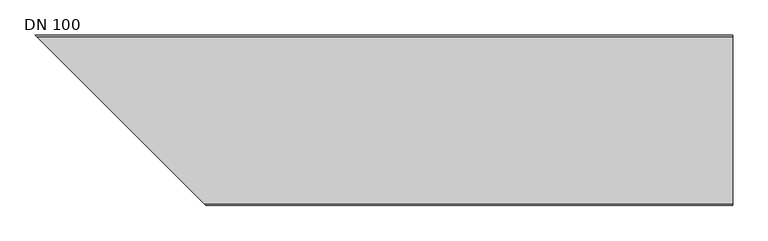
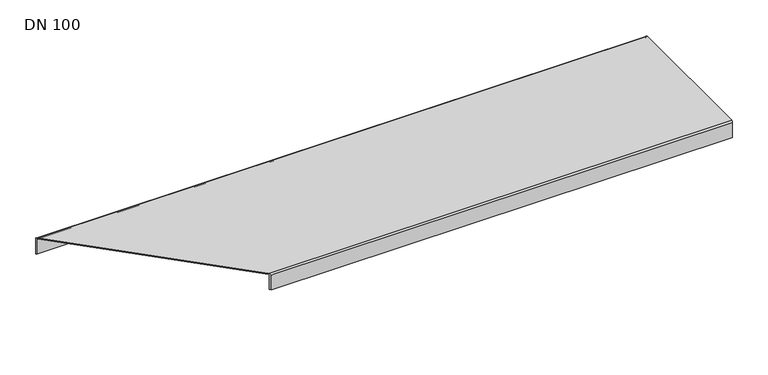
"""IFC4 building model written with IfcOpenShell, lengths in millimetres: sanitary terminal geometry, DN 100."""

from ifc_helpers import new_model, si_unit, frame, origin, place, context, project, spatial, polyline, circle_curve, ellipse_curve, source, transform, mapped, element, save
from ifc_brep_helpers import plane_surface, cylinder_surface, revolved_surface, advanced_brep


def dn_100_c647e501(model_context):
    return source(origin(), model_context, "Body", "AdvancedBrep", [
        advanced_brep(
        [(1000.0, 121.5, -28.0), (1000.0, 119.5, -28.0), (9.0, 119.5, -28.0), (7.0, 121.5, -28.0), (1000.0, 121.5, -2.5), (1000.0, 119.0, 0.0), (1000.0, -119.0, 0.0), (1000.0, -121.5, -2.5), (1000.0, -121.5, -28.0), (1000.0, -119.5, -28.0), (1000.0, -119.5, -2.5), (1000.0, -119.0, -2.0), (1000.0, 119.0, -2.0), (1000.0, 119.5, -2.5), (9.0, 119.5, -2.5), (7.0, 121.5, -2.5), (9.5, 119.0, -2.0), (9.5, 119.0, 0.0), (247.5, -119.0, -2.0), (247.5, -119.0, 0.0), (248.0, -119.5, -2.5), (250.0, -121.5, -2.5), (250.0, -121.5, -28.0), (248.0, -119.5, -28.0)],
        [
            (0, 1),
            (1, 2),
            (2, 3),
            (3, 0),
            (0, 4),
            (4, 5, circle_curve(frame((1000.0, 119.0, -2.5), z_axis=(1.0, 0.0, 0.0), x_axis=(0.0, 1.0, 0.0)), 2.5)),
            (5, 6),
            (6, 7, circle_curve(frame((1000.0, -119.0, -2.5), z_axis=(1.0, 0.0, 0.0), x_axis=(0.0, 0.0, 1.0)), 2.5)),
            (7, 8),
            (8, 9),
            (9, 10),
            (10, 11, circle_curve(frame((1000.0, -119.0, -2.5), z_axis=(-1.0, 0.0, 0.0), x_axis=(0.0, 0.0, 1.0)), 0.5)),
            (11, 12),
            (12, 13, circle_curve(frame((1000.0, 119.0, -2.5), z_axis=(-1.0, 0.0, 0.0), x_axis=(0.0, 1.0, 0.0)), 0.5)),
            (13, 1),
            (13, 14),
            (14, 2),
            (3, 15),
            (15, 4),
            (12, 16),
            (16, 14, ellipse_curve(frame((9.5, 119.0, -2.5), z_axis=(-0.7071067811865481, -0.707106781186547, 0.0), x_axis=(0.7071067811865468, -0.7071067811865481, 0.0)), 0.7071068, 0.5)),
            (15, 17, ellipse_curve(frame((9.5, 119.0, -2.5), z_axis=(0.7071067811865481, 0.707106781186547, 0.0), x_axis=(0.7071067811865468, -0.7071067811865481, 0.0)), 3.5355339, 2.5)),
            (17, 5),
            (11, 18),
            (18, 16),
            (17, 19),
            (19, 6),
            (10, 20),
            (20, 18, ellipse_curve(frame((247.5, -119.0, -2.5), z_axis=(-0.7071067811865481, -0.707106781186547, 0.0), x_axis=(0.7071067811865468, -0.7071067811865481, 0.0)), 0.7071068, 0.5)),
            (19, 21, ellipse_curve(frame((247.5, -119.0, -2.5), z_axis=(0.7071067811865481, 0.707106781186547, 0.0), x_axis=(0.7071067811865468, -0.7071067811865481, 0.0)), 3.5355339, 2.5)),
            (21, 7),
            (8, 22),
            (22, 23),
            (23, 9),
            (23, 20),
            (21, 22),
        ],
        [
            plane_surface(frame((0.0, 121.5, -28.0), z_axis=(0.0, 0.0, -1.0), x_axis=(1.0, 0.0, 0.0))),
            plane_surface(frame((1000.0, 121.5, -28.0), z_axis=(1.0, 0.0, 0.0), x_axis=(0.0, 0.0, 1.0))),
            plane_surface(frame((1000.0, 119.5, -28.0), z_axis=(0.0, -1.0, 0.0), x_axis=(0.0, 0.0, 1.0))),
            plane_surface(frame((0.0, 121.5, -28.0), z_axis=(0.0, 1.0, 0.0), x_axis=(0.0, 0.0, 1.0))),
            revolved_surface(polyline([(1000.0, 119.5, -2.5), (8.999999986696881, 119.5, -2.5)]), (0.0, 119.0, -2.5), (1.0, 0.0, 0.0)),
            cylinder_surface(frame((0.0, 119.0, -2.5), z_axis=(1.0, 0.0, 0.0), x_axis=(0.0, 1.0, 0.0)), 2.5),
            plane_surface(frame((1000.0, 119.0, -2.0), z_axis=(0.0, 0.0, -1.0), x_axis=(0.0, -1.0, 0.0))),
            plane_surface(frame((0.0, 119.0, 0.0), z_axis=(0.0, 0.0, 1.0), x_axis=(0.0, -1.0, 0.0))),
            revolved_surface(polyline([(1000.0, -119.0, -2.0), (246.99999998669688, -119.0, -2.0)]), (0.0, -119.0, -2.5), (1.0, 0.0, 0.0)),
            cylinder_surface(frame((0.0, -119.0, -2.5), z_axis=(1.0, 0.0, 0.0), x_axis=(0.0, 0.0, 1.0)), 2.5),
            plane_surface(frame((0.0, -121.5, -28.0), z_axis=(0.0, 0.0, -1.0), x_axis=(1.0, 0.0, 0.0))),
            plane_surface(frame((1000.0, -119.5, -2.5), z_axis=(0.0, 1.0, 0.0), x_axis=(0.0, 0.0, -1.0))),
            plane_surface(frame((0.0, -121.5, -2.5), z_axis=(0.0, -1.0, 0.0), x_axis=(0.0, 0.0, -1.0))),
            plane_surface(frame((257.0, -128.5, 0.0), z_axis=(-0.7071067811865481, -0.707106781186547, 0.0), x_axis=(0.0, 0.0, -1.0))),
        ],
        [
            (0, [[1, 2, 3, 4]]),
            (1, [[-1, 5, 6, 7, 8, 9, 10, 11, 12, 13, 14, 15]]),
            (2, [[-15, 16, 17, -2]]),
            (3, [[-5, -4, 18, 19]]),
            (4, [[-14, 20, 21, -16]]),
            (5, [[-6, -19, 22, 23]]),
            (6, [[-13, 24, 25, -20]]),
            (7, [[-7, -23, 26, 27]]),
            (8, [[-12, 28, 29, -24]]),
            (9, [[-8, -27, 30, 31]]),
            (10, [[-10, 32, 33, 34]]),
            (11, [[-11, -34, 35, -28]]),
            (12, [[-9, -31, 36, -32]]),
            (13, [[-3, -17, -21, -25, -29, -35, -33, -36, -30, -26, -22, -18]]),
        ],
    ),
    ])


if __name__ == "__main__":
    model = new_model("IFC4")
    model_context = context("Model", 3, world=origin())
    ifc_project = project(units=[si_unit("LENGTHUNIT", "METRE", prefix="MILLI")], contexts=[model_context])
    site = spatial("IfcSite", under=ifc_project)
    building = spatial("IfcBuilding", under=site)
    placement = place(None, origin())
    dn_100_shape = dn_100_c647e501(model_context)
    element("IfcSanitaryTerminal", 1, ObjectType="DN 100", at=placement, inside=building, context=model_context, shape_type="MappedRepresentation", body=[
        mapped(dn_100_shape, transform((0.0, 0.0, 0.0), x_axis=(1.0, 0.0, 0.0), y_axis=(0.0, 1.0, 0.0), z_axis=(0.0, 0.0, 1.0))),
    ])
    save(model, "model.ifc")
